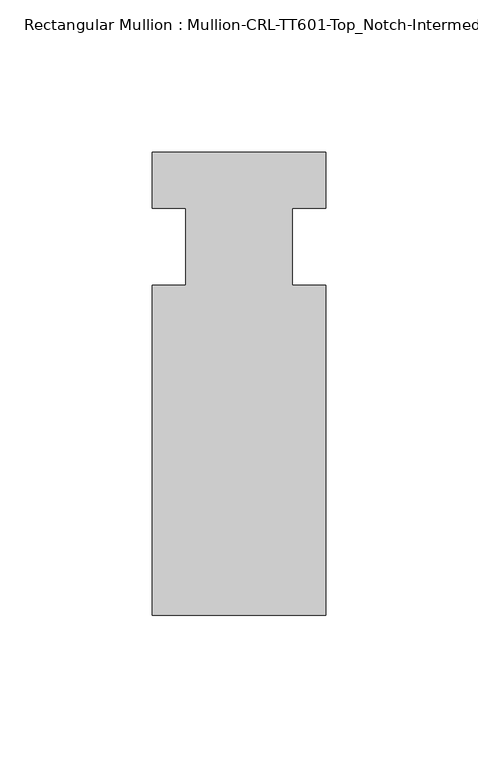
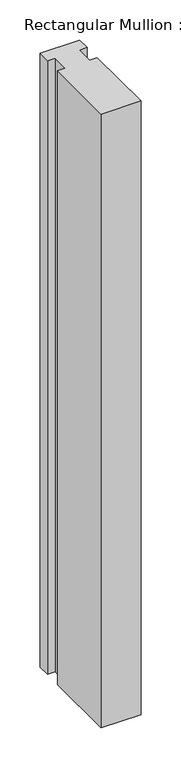
"""IFC4 building model written with IfcOpenShell, lengths in millimetres: member geometry, Rectangular Mullion : Mullion-CRL-TT601-Top_Notch-Intermediate_Vertical."""

from ifc_helpers import new_model, si_unit, frame, origin, place, context, project, spatial, polyline, outline, extrude, source, transform, mapped, element, save


def rectangular_mullion_mullion_crl_tt601_top_notch_intermediate_1be1e3fb(model_context):
    return source(origin(), model_context, "Body", "SweptSolid", [
        extrude(outline(polyline([(-28.575, -12.7), (-17.4625, -12.7), (-17.4625, 12.7), (-28.575, 12.7), (-28.575, 31.1404), (28.575, 31.1404), (28.575, 12.7), (17.4625, 12.7), (17.4625, -12.7), (28.575, -12.7), (28.575, -121.2596), (-28.575, -121.2596), (-28.575, -12.7)])), frame((0.0, 0.0, -933.594537), z_axis=(0.0, 0.0, 1.0), x_axis=(1.0, 0.0, 0.0)), (0.0, 0.0, 1.0), 933.594537),
    ])


if __name__ == "__main__":
    model = new_model("IFC4")
    model_context = context("Model", 3, world=origin())
    ifc_project = project(units=[si_unit("LENGTHUNIT", "METRE", prefix="MILLI")], contexts=[model_context])
    site = spatial("IfcSite", under=ifc_project)
    building = spatial("IfcBuilding", under=site)
    placement = place(None, origin())
    rectangular_mullion_mullion_crl_tt601_top_notch_intermediate_shape = rectangular_mullion_mullion_crl_tt601_top_notch_intermediate_1be1e3fb(model_context)
    element("IfcMember", 1, ObjectType="Rectangular Mullion : Mullion-CRL-TT601-Top_Notch-Intermediate_Vertical", at=placement, inside=building, context=model_context, shape_type="MappedRepresentation", body=[
        mapped(rectangular_mullion_mullion_crl_tt601_top_notch_intermediate_shape, transform((0.0, 0.0, 0.0), x_axis=(1.0, 0.0, 0.0), y_axis=(0.0, 1.0, 0.0), z_axis=(0.0, 0.0, 1.0))),
    ])
    save(model, "model.ifc")
